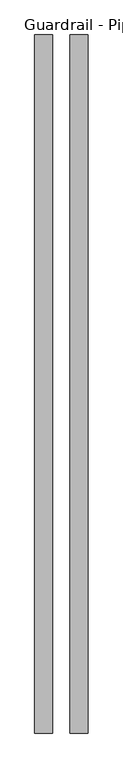
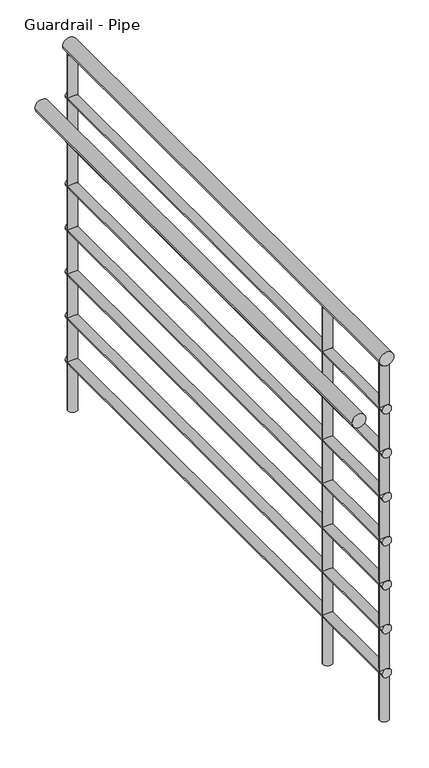
"""IFC4 building model written with IfcOpenShell, lengths in millimetres: railing geometry, Guardrail - Pipe."""

from ifc_helpers import new_model, si_unit, point, frame, frame_2d, origin, place, context, project, spatial, circle_curve, trimmed, segment, composite_curve, outline, extrude, source, transform, mapped, element, save


def guardrail_pipe_d1d04ceb(model_context):
    return source(origin(), model_context, "Body", "SweptSolid", [
        extrude(outline(composite_curve([segment(trimmed(circle_curve(frame_2d((4087.75, -3792.9215986)), 19.05), [point((4087.75, -3811.9715986))], [point((4087.75, -3773.8715986))], False, "CARTESIAN"), True, "CONTINUOUS"), segment(trimmed(circle_curve(frame_2d((4087.75, -3792.9215986)), 19.05), [point((4087.75, -3773.8715986))], [point((4087.75, -3811.9715986))], False, "CARTESIAN"), True, "CONTINUOUS")], self_intersect=False)), frame((0.0, 7507.6808469, 0.0), z_axis=(0.0, 1.0, 0.0), x_axis=(0.0, 0.0, 1.0)), (0.0, 0.0, 1.0), 1500.0),
        extrude(outline(composite_curve([segment(trimmed(circle_curve(frame_2d((3941.7, -3792.9215986)), 12.7), [point((3941.7, -3805.6215986))], [point((3941.7, -3780.2215986))], False, "CARTESIAN"), True, "CONTINUOUS"), segment(trimmed(circle_curve(frame_2d((3941.7, -3792.9215986)), 12.7), [point((3941.7, -3780.2215986))], [point((3941.7, -3805.6215986))], False, "CARTESIAN"), True, "CONTINUOUS")], self_intersect=False)), frame((0.0, 7507.6808469, 0.0), z_axis=(0.0, 1.0, 0.0), x_axis=(0.0, 0.0, 1.0)), (0.0, 0.0, 1.0), 1500.0),
        extrude(outline(composite_curve([segment(trimmed(circle_curve(frame_2d((3935.35, -3869.1215986)), 19.05), [point((3935.35, -3888.1715986))], [point((3935.35, -3850.0715986))], False, "CARTESIAN"), True, "CONTINUOUS"), segment(trimmed(circle_curve(frame_2d((3935.35, -3869.1215986)), 19.05), [point((3935.35, -3850.0715986))], [point((3935.35, -3888.1715986))], False, "CARTESIAN"), True, "CONTINUOUS")], self_intersect=False)), frame((0.0, 7507.6808469, 0.0), z_axis=(0.0, 1.0, 0.0), x_axis=(0.0, 0.0, 1.0)), (0.0, 0.0, 1.0), 1500.0),
        extrude(outline(composite_curve([segment(trimmed(circle_curve(frame_2d((3814.7, -3792.9215986)), 12.7), [point((3814.7, -3805.6215986))], [point((3814.7, -3780.2215986))], False, "CARTESIAN"), True, "CONTINUOUS"), segment(trimmed(circle_curve(frame_2d((3814.7, -3792.9215986)), 12.7), [point((3814.7, -3780.2215986))], [point((3814.7, -3805.6215986))], False, "CARTESIAN"), True, "CONTINUOUS")], self_intersect=False)), frame((0.0, 7507.6808469, 0.0), z_axis=(0.0, 1.0, 0.0), x_axis=(0.0, 0.0, 1.0)), (0.0, 0.0, 1.0), 1500.0),
        extrude(outline(composite_curve([segment(trimmed(circle_curve(frame_2d((3687.7, -3792.9215986)), 12.7), [point((3687.7, -3805.6215986))], [point((3687.7, -3780.2215986))], False, "CARTESIAN"), True, "CONTINUOUS"), segment(trimmed(circle_curve(frame_2d((3687.7, -3792.9215986)), 12.7), [point((3687.7, -3780.2215986))], [point((3687.7, -3805.6215986))], False, "CARTESIAN"), True, "CONTINUOUS")], self_intersect=False)), frame((0.0, 7507.6808469, 0.0), z_axis=(0.0, 1.0, 0.0), x_axis=(0.0, 0.0, 1.0)), (0.0, 0.0, 1.0), 1500.0),
        extrude(outline(composite_curve([segment(trimmed(circle_curve(frame_2d((3560.7, -3792.9215986)), 12.7), [point((3560.7, -3805.6215986))], [point((3560.7, -3780.2215986))], False, "CARTESIAN"), True, "CONTINUOUS"), segment(trimmed(circle_curve(frame_2d((3560.7, -3792.9215986)), 12.7), [point((3560.7, -3780.2215986))], [point((3560.7, -3805.6215986))], False, "CARTESIAN"), True, "CONTINUOUS")], self_intersect=False)), frame((0.0, 7507.6808469, 0.0), z_axis=(0.0, 1.0, 0.0), x_axis=(0.0, 0.0, 1.0)), (0.0, 0.0, 1.0), 1500.0),
        extrude(outline(composite_curve([segment(trimmed(circle_curve(frame_2d((3433.7, -3792.9215986)), 12.7), [point((3433.7, -3805.6215986))], [point((3433.7, -3780.2215986))], False, "CARTESIAN"), True, "CONTINUOUS"), segment(trimmed(circle_curve(frame_2d((3433.7, -3792.9215986)), 12.7), [point((3433.7, -3780.2215986))], [point((3433.7, -3805.6215986))], False, "CARTESIAN"), True, "CONTINUOUS")], self_intersect=False)), frame((0.0, 7507.6808469, 0.0), z_axis=(0.0, 1.0, 0.0), x_axis=(0.0, 0.0, 1.0)), (0.0, 0.0, 1.0), 1500.0),
        extrude(outline(composite_curve([segment(trimmed(circle_curve(frame_2d((3306.7, -3792.9215986)), 12.7), [point((3306.7, -3805.6215986))], [point((3306.7, -3780.2215986))], False, "CARTESIAN"), True, "CONTINUOUS"), segment(trimmed(circle_curve(frame_2d((3306.7, -3792.9215986)), 12.7), [point((3306.7, -3780.2215986))], [point((3306.7, -3805.6215986))], False, "CARTESIAN"), True, "CONTINUOUS")], self_intersect=False)), frame((0.0, 7507.6808469, 0.0), z_axis=(0.0, 1.0, 0.0), x_axis=(0.0, 0.0, 1.0)), (0.0, 0.0, 1.0), 1500.0),
        extrude(outline(composite_curve([segment(trimmed(circle_curve(frame_2d((3179.7, -3792.9215986)), 12.7), [point((3179.7, -3805.6215986))], [point((3179.7, -3780.2215986))], False, "CARTESIAN"), True, "CONTINUOUS"), segment(trimmed(circle_curve(frame_2d((3179.7, -3792.9215986)), 12.7), [point((3179.7, -3780.2215986))], [point((3179.7, -3805.6215986))], False, "CARTESIAN"), True, "CONTINUOUS")], self_intersect=False)), frame((0.0, 7507.6808469, 0.0), z_axis=(0.0, 1.0, 0.0), x_axis=(0.0, 0.0, 1.0)), (0.0, 0.0, 1.0), 1500.0),
        extrude(outline(composite_curve([segment(trimmed(circle_curve(frame_2d((-3792.9215986, 7788.4808469)), 12.7), [point((-3805.6215986, 7788.4808469))], [point((-3780.2215986, 7788.4808469))], False, "CARTESIAN"), True, "CONTINUOUS"), segment(trimmed(circle_curve(frame_2d((-3792.9215986, 7788.4808469)), 12.7), [point((-3780.2215986, 7788.4808469))], [point((-3805.6215986, 7788.4808469))], False, "CARTESIAN"), True, "CONTINUOUS")], self_intersect=False)), frame((0.0, 0.0, 3040.0), z_axis=(0.0, 0.0, 1.0), x_axis=(1.0, 0.0, 0.0)), (0.0, 0.0, 1.0), 1028.7),
        extrude(outline(composite_curve([segment(trimmed(circle_curve(frame_2d((-3792.9215986, 7520.3808469)), 12.7), [point((-3805.6215986, 7520.3808469))], [point((-3780.2215986, 7520.3808469))], False, "CARTESIAN"), True, "CONTINUOUS"), segment(trimmed(circle_curve(frame_2d((-3792.9215986, 7520.3808469)), 12.7), [point((-3780.2215986, 7520.3808469))], [point((-3805.6215986, 7520.3808469))], False, "CARTESIAN"), True, "CONTINUOUS")], self_intersect=False)), frame((0.0, 0.0, 3040.0), z_axis=(0.0, 0.0, 1.0), x_axis=(1.0, 0.0, 0.0)), (0.0, 0.0, 1.0), 1028.7),
        extrude(outline(composite_curve([segment(trimmed(circle_curve(frame_2d((-3792.9215986, 8994.9808469)), 12.7), [point((-3805.6215986, 8994.9808469))], [point((-3780.2215986, 8994.9808469))], False, "CARTESIAN"), True, "CONTINUOUS"), segment(trimmed(circle_curve(frame_2d((-3792.9215986, 8994.9808469)), 12.7), [point((-3780.2215986, 8994.9808469))], [point((-3805.6215986, 8994.9808469))], False, "CARTESIAN"), True, "CONTINUOUS")], self_intersect=False)), frame((0.0, 0.0, 3040.0), z_axis=(0.0, 0.0, 1.0), x_axis=(1.0, 0.0, 0.0)), (0.0, 0.0, 1.0), 1028.7),
    ])


if __name__ == "__main__":
    model = new_model("IFC4")
    model_context = context("Model", 3, world=origin())
    ifc_project = project(units=[si_unit("LENGTHUNIT", "METRE", prefix="MILLI")], contexts=[model_context])
    site = spatial("IfcSite", under=ifc_project)
    building = spatial("IfcBuilding", under=site)
    placement = place(None, origin())
    guardrail_pipe_shape = guardrail_pipe_d1d04ceb(model_context)
    element("IfcRailing", 1, ObjectType="Guardrail - Pipe", at=placement, inside=building, context=model_context, shape_type="MappedRepresentation", body=[
        mapped(guardrail_pipe_shape, transform((0.0, 0.0, 0.0), x_axis=(1.0, 0.0, 0.0), y_axis=(0.0, 1.0, 0.0), z_axis=(0.0, 0.0, 1.0))),
    ])
    save(model, "model.ifc")
